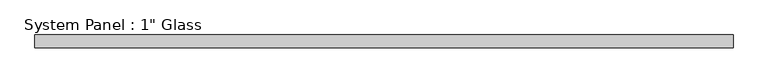
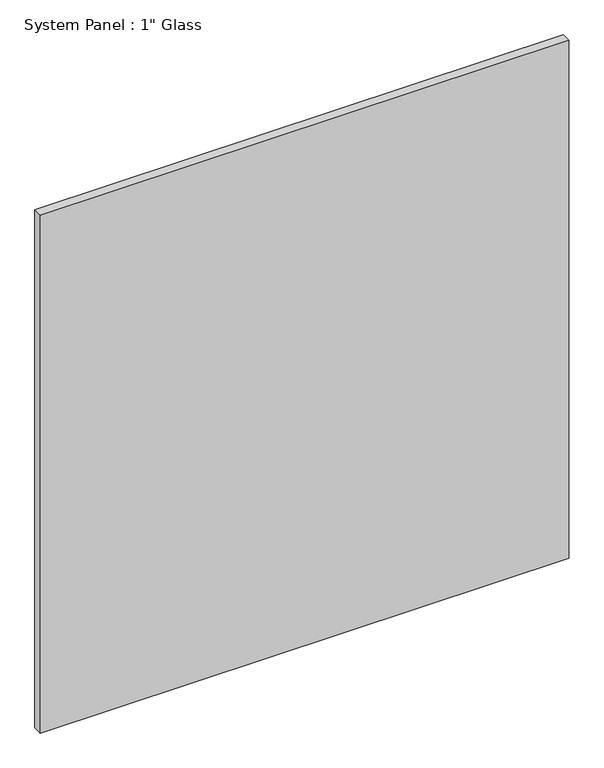
"""IFC4 building model written with IfcOpenShell, lengths in millimetres: plate geometry."""

from ifc_helpers import new_model, si_unit, origin, origin_with_axes, place, context, project, spatial, polyline, outline, extrude, source, transform, mapped, element, save


def plate_79d37f7d(model_context):
    return source(origin(), model_context, "Body", "SweptSolid", [
        extrude(outline(polyline([(703.8430865, -12.7), (-703.8430865, -12.7), (-703.8430865, 12.7), (703.8430865, 12.7), (703.8430865, -12.7)])), origin_with_axes(), (0.0, 0.0, 1.0), 1458.4861731),
    ])


if __name__ == "__main__":
    model = new_model("IFC4")
    model_context = context("Model", 3, world=origin())
    ifc_project = project(units=[si_unit("LENGTHUNIT", "METRE", prefix="MILLI")], contexts=[model_context])
    site = spatial("IfcSite", under=ifc_project)
    building = spatial("IfcBuilding", under=site)
    placement = place(None, origin())
    plate_shape = plate_79d37f7d(model_context)
    element("IfcPlate", 1, ObjectType="System Panel : 1\" Glass", at=placement, inside=building, context=model_context, shape_type="MappedRepresentation", body=[
        mapped(plate_shape, transform((0.0, 0.0, 0.0), x_axis=(1.0, 0.0, 0.0), y_axis=(0.0, 1.0, 0.0), z_axis=(0.0, 0.0, 1.0))),
    ])
    save(model, "model.ifc")
